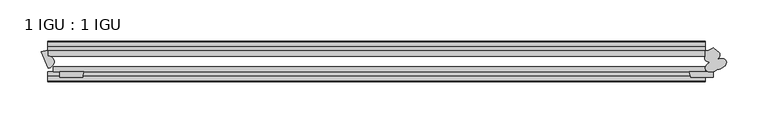
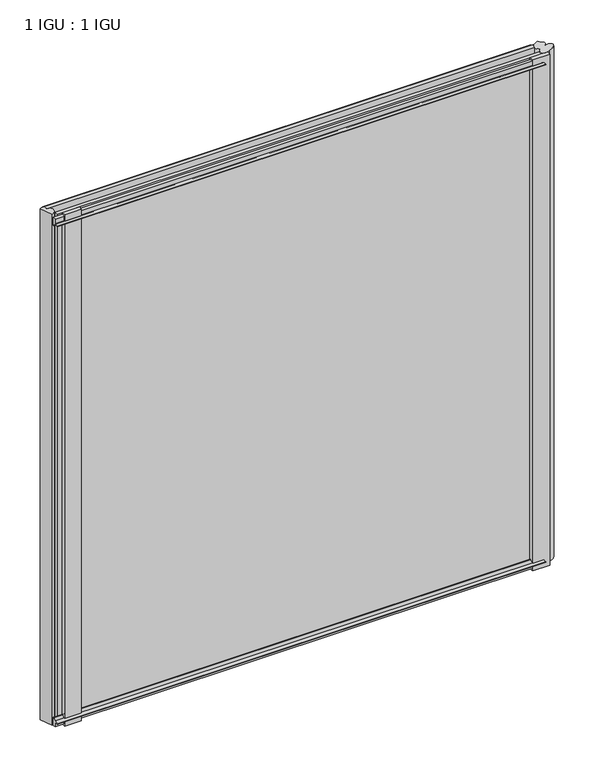
"""IFC4 building model written with IfcOpenShell, lengths in millimetres: plate geometry, 1 IGU : 1 IGU."""

from ifc_helpers import new_model, si_unit, point, frame, frame_2d, origin, place, context, project, spatial, polyline, circle_curve, ellipse_curve, trimmed, segment, composite_curve, outline, extrude, source, transform, mapped, element, save
from ifc_brep_helpers import plane_surface, cylinder_surface, revolved_surface, extruded_surface, advanced_brep


def plate_1_igu_1_igu_c3782e24(model_context):
    return source(origin(), model_context, "Body", "SolidModel", [
        advanced_brep(
        [(410.8213131, -30.3615789, -11.1125), (404.4214928, -23.310153, -11.1125), (404.4214928, -16.9263288, -11.1125), (413.9812267, -12.9529996, -11.1125), (418.5404185, -17.5121914, -11.1125), (418.9308777, -27.0024873, -11.1125), (419.2489934, -39.2391427, -11.1125), (410.8213131, -30.3615789, 865.1873985), (419.2489934, -39.2391427, 865.1873985), (418.9308777, -27.0024873, 865.1873985), (418.5404185, -17.5121914, 865.1873985), (413.9812267, -12.9529996, 865.1873985), (404.4214928, -16.9263288, 865.1873985), (404.4214928, -23.310153, 865.1873985)],
        [
            (0, 1, ellipse_curve(frame((412.8415867, -23.7702946, -11.1125), z_axis=(0.0, 0.0, -1.0), x_axis=(0.9238795325112812, 0.3826834323651031, 0.0)), 9.5957905, 5.9783877)),
            (1, 2),
            (2, 3, circle_curve(frame((404.0609682, -2.5720065, -11.1125), z_axis=(0.0, 0.0, 1.0), x_axis=(1.0, 0.0, 0.0)), 14.3588491)),
            (3, 4),
            (4, 5, ellipse_curve(frame((412.8415867, -23.7702946, -11.1125), z_axis=(0.0, 0.0, -1.0), x_axis=(0.923879532511281, 0.38268343236510366, 0.0)), 9.5957905, 5.9783877)),
            (5, 6, ellipse_curve(frame((420.7869513, -32.6970531, -11.1125), z_axis=(0.0, 0.0, -1.0), x_axis=(0.9238795325112809, 0.38268343236510405, 0.0)), 9.5957905, 5.9783877)),
            (6, 0, ellipse_curve(frame((413.5355369, -35.7006873, -11.1125), z_axis=(0.0, 0.0, -1.0), x_axis=(-0.9238795325112954, -0.382683432365069, 0.0)), 9.5957905, 5.9783877)),
            (7, 8, ellipse_curve(frame((413.5355369, -35.7006873, 865.1873985), z_axis=(0.0, 0.0, 1.0), x_axis=(-0.9238795325112954, -0.382683432365069, 0.0)), 9.5957905, 5.9783877)),
            (8, 9, ellipse_curve(frame((420.7869513, -32.6970531, 865.1873985), z_axis=(0.0, 0.0, 1.0), x_axis=(0.9238795325112809, 0.38268343236510405, 0.0)), 9.5957905, 5.9783877)),
            (9, 10, ellipse_curve(frame((412.8415867, -23.7702946, 865.1873985), z_axis=(0.0, 0.0, 1.0), x_axis=(0.923879532511281, 0.38268343236510366, 0.0)), 9.5957905, 5.9783877)),
            (10, 11),
            (11, 12, circle_curve(frame((404.0609682, -2.5720065, 865.1873985), z_axis=(0.0, 0.0, -1.0), x_axis=(1.0, 0.0, 0.0)), 14.3588491)),
            (12, 13),
            (13, 7, ellipse_curve(frame((412.8415867, -23.7702946, 865.1873985), z_axis=(0.0, 0.0, 1.0), x_axis=(0.9238795325112812, 0.3826834323651031, 0.0)), 9.5957905, 5.9783877)),
            (0, 7),
            (13, 1),
            (12, 2),
            (11, 3),
            (4, 10),
            (9, 5),
            (8, 6),
        ],
        [
            plane_surface(frame((404.4214928, -9.6242188, -11.1125), z_axis=(0.0, 0.0, -1.0), x_axis=(0.0, 1.0, 0.0))),
            plane_surface(frame((404.4214928, -9.6242188, 865.1873985), z_axis=(0.0, 0.0, 1.0), x_axis=(0.0, 1.0, 0.0))),
            extruded_surface(trimmed(ellipse_curve(frame((412.8415867, -23.7702946, 865.1873985), z_axis=(0.0, 0.0, -1.0), x_axis=(0.9238795325112812, 0.3826834323651031, 0.0)), 9.5957905, 5.9783877), [point((410.8213131, -30.3615789, 865.1873985))], [point((404.4214928, -23.310153, 865.1873985))], True, "CARTESIAN"), (0.0, 0.0, -876.2998984999999), 876.2998984999999),
            plane_surface(frame((404.4214928, -23.310153, -11.1125), z_axis=(-1.0, 0.0, 0.0), x_axis=(0.0, 0.0, 1.0))),
            revolved_surface(polyline([(418.4198173, -2.5720065, 865.1873985), (418.4198173, -2.5720065, -11.1125)]), (404.0609682, -2.5720065, -11.1125), (0.0, 0.0, 1.0)),
            extruded_surface(trimmed(ellipse_curve(frame((412.8415867, -23.7702946, 865.1873985), z_axis=(0.0, 0.0, -1.0), x_axis=(0.923879532511281, 0.38268343236510366, 0.0)), 9.5957905, 5.9783877), [point((418.5404185, -17.5121914, 865.1873985))], [point((418.9308777, -27.0024873, 865.1873985))], True, "CARTESIAN"), (0.0, 0.0, -876.2998984999999), 876.2998984999999),
            extruded_surface(trimmed(ellipse_curve(frame((420.7869513, -32.6970531, 865.1873985), z_axis=(0.0, 0.0, -1.0), x_axis=(0.9238795325112809, 0.38268343236510405, 0.0)), 9.5957905, 5.9783877), [point((418.9308777, -27.0024873, 865.1873985))], [point((419.2489934, -39.2391427, 865.1873985))], True, "CARTESIAN"), (0.0, 0.0, -876.2998984999999), 876.2998984999999),
            extruded_surface(trimmed(ellipse_curve(frame((413.5355369, -35.7006873, 865.1873985), z_axis=(0.0, 0.0, -1.0), x_axis=(-0.9238795325112954, -0.382683432365069, 0.0)), 9.5957905, 5.9783877), [point((419.2489934, -39.2391427, 865.1873985))], [point((410.8213131, -30.3615789, 865.1873985))], True, "CARTESIAN"), (0.0, 0.0, -876.2998984999999), 876.2998984999999),
            plane_surface(frame((413.9812267, -12.9529996, -11.1125), z_axis=(0.7071067811865541, 0.707106781186541, 0.0), x_axis=(0.0, 0.0, 1.0))),
        ],
        [
            (0, [[1, 2, 3, 4, 5, 6, 7]]),
            (1, [[8, 9, 10, 11, 12, 13, 14]]),
            (2, [[-1, 15, -14, 16]]),
            (3, [[-2, -16, -13, 17]]),
            (4, [[-3, -17, -12, 18]]),
            (5, [[-5, 19, -10, 20]]),
            (6, [[-6, -20, -9, 21]]),
            (7, [[-7, -21, -8, -15]]),
            (8, [[-4, -18, -11, -19]]),
        ],
    ),
        advanced_brep(
        [(-390.7201863, -16.9267187, -11.1125), (-387.9903924, -16.9267187, -11.1125), (-387.9903924, -23.2727004, -11.1125), (-387.3107394, -38.1171229, -11.1125), (-395.6717838, -17.9317761, -11.1125), (-390.7201863, -16.9267187, 865.1873985), (-395.6717838, -17.9317761, 865.1873985), (-387.3107394, -38.1171229, 865.1873985), (-387.9903924, -23.2727004, 865.1873985), (-387.9903924, -16.9267187, 865.1873985)],
        [
            (0, 1),
            (1, 2),
            (2, 3, ellipse_curve(frame((-390.1756356, -31.2006516, -11.1125), z_axis=(0.0, 0.0, -1.0), x_axis=(-0.9238795325112887, -0.382683432365085, 0.0)), 10.1284028, 7.4863346)),
            (3, 4),
            (4, 0, circle_curve(frame((-390.7201863, -29.6267187, -11.1125), z_axis=(0.0, 0.0, -1.0), x_axis=(1.0, 0.0, 0.0)), 12.7)),
            (5, 6, circle_curve(frame((-390.7201863, -29.6267187, 865.1873985), z_axis=(0.0, 0.0, 1.0), x_axis=(1.0, 0.0, 0.0)), 12.7)),
            (6, 7),
            (7, 8, ellipse_curve(frame((-390.1756356, -31.2006516, 865.1873985), z_axis=(0.0, 0.0, 1.0), x_axis=(-0.9238795325112887, -0.382683432365085, 0.0)), 10.1284028, 7.4863346)),
            (8, 9),
            (9, 5),
            (0, 5),
            (9, 1),
            (8, 2),
            (7, 3),
            (6, 4),
        ],
        [
            plane_surface(frame((-387.9511803, -9.6242187, -11.1125), z_axis=(0.0, 0.0, -1.0), x_axis=(0.0, 1.0, 0.0))),
            plane_surface(frame((-387.9511803, -9.6242187, 865.1873985), z_axis=(0.0, 0.0, 1.0), x_axis=(0.0, 1.0, 0.0))),
            plane_surface(frame((-390.7201863, -16.9267187, -11.1125), z_axis=(0.0, 1.0, 0.0), x_axis=(0.0, 0.0, 1.0))),
            plane_surface(frame((-387.9903924, -16.9267187, -11.1125), z_axis=(1.0, 0.0, 0.0), x_axis=(0.0, 0.0, 1.0))),
            extruded_surface(trimmed(ellipse_curve(frame((-390.1756356, -31.2006516, 865.1873985), z_axis=(0.0, 0.0, -1.0), x_axis=(-0.9238795325112887, -0.382683432365085, 0.0)), 10.1284028, 7.4863346), [point((-387.9903924, -23.2727004, 865.1873985))], [point((-387.3107394, -38.1171229, 865.1873985))], True, "CARTESIAN"), (0.0, 0.0, -876.2998984999999), 876.2998984999999),
            plane_surface(frame((-387.3107394, -38.1171229, -11.1125), z_axis=(-0.9238795325112933, -0.38268343236507424, 0.0), x_axis=(0.0, 0.0, 1.0))),
            cylinder_surface(frame((-390.7201863, -29.6267187, -11.1125), z_axis=(0.0, 0.0, -1.0), x_axis=(1.0, 0.0, 0.0)), 12.7),
        ],
        [
            (0, [[1, 2, 3, 4, 5]]),
            (1, [[6, 7, 8, 9, 10]]),
            (2, [[-1, 11, -10, 12]]),
            (3, [[-2, -12, -9, 13]]),
            (4, [[-3, -13, -8, 14]]),
            (5, [[-4, -14, -7, 15]]),
            (6, [[-5, -15, -6, -11]]),
        ],
    ),
        extrude(outline(composite_curve([segment(polyline([(-42.3267187, -8.2068385), (-47.0892187, -8.2068385), (-47.0892187, 0.0), (-53.563779, 0.0)]), True, "CONTINUOUS"), segment(trimmed(circle_curve(frame_2d((-53.0328134, 0.3482823)), 0.635), [point((-53.563779, 0.0))], [point((-53.0575397, 0.9828007))], False, "CARTESIAN"), True, "CONTINUOUS"), segment(trimmed(circle_curve(frame_2d((-54.2310045, 31.0958559)), 30.1359106), [point((-53.0575397, 0.9828007))], [point((-47.0834032, 1.8198434))], True, "CARTESIAN"), True, "CONTINUOUS"), segment(trimmed(circle_curve(frame_2d((-48.2159797, 6.4587878)), 4.7752), [point((-47.0834032, 1.8198434))], [point((-43.578416, 5.3205707))], True, "CARTESIAN"), True, "CONTINUOUS"), segment(trimmed(circle_curve(frame_2d((-42.9617187, 5.169212)), 0.635), [point((-43.578416, 5.3205707))], [point((-42.3267187, 5.169212))], False, "CARTESIAN"), True, "CONTINUOUS"), segment(polyline([(-42.3267187, 5.169212), (-42.3267187, -8.2068385)]), True, "CONTINUOUS")], self_intersect=False)), frame((-387.9511803, 0.0, 0.0), z_axis=(1.0, 0.0, 0.0), x_axis=(0.0, 1.0, 0.0)), (0.0, 0.0, 1.0), 792.372673),
        extrude(outline(composite_curve([segment(polyline([(-16.9267187, -8.2068385), (-16.9267187, 5.169212)]), True, "CONTINUOUS"), segment(trimmed(circle_curve(frame_2d((-16.2917187, 5.169212)), 0.635), [point((-16.9267187, 5.169212))], [point((-15.6750215, 5.3205707))], False, "CARTESIAN"), True, "CONTINUOUS"), segment(trimmed(circle_curve(frame_2d((-11.0374578, 6.4587878)), 4.7752), [point((-15.6750215, 5.3205707))], [point((-12.1700343, 1.8198434))], True, "CARTESIAN"), True, "CONTINUOUS"), segment(trimmed(circle_curve(frame_2d((-5.022433, 31.0958559)), 30.1359106), [point((-12.1700343, 1.8198434))], [point((-6.1958978, 0.9828007))], True, "CARTESIAN"), True, "CONTINUOUS"), segment(trimmed(circle_curve(frame_2d((-6.2206241, 0.3482823)), 0.635), [point((-6.1958978, 0.9828007))], [point((-5.6896585, 0.0))], False, "CARTESIAN"), True, "CONTINUOUS"), segment(polyline([(-5.6896585, 0.0), (-12.1642187, 0.0), (-12.1642187, -8.2068385), (-16.9267187, -8.2068385)]), True, "CONTINUOUS")], self_intersect=False)), frame((-387.9511803, 0.0, 0.0), z_axis=(1.0, 0.0, 0.0), x_axis=(0.0, 1.0, 0.0)), (0.0, 0.0, 1.0), 792.372673),
        extrude(outline(composite_curve([segment(polyline([(-47.0892187, 854.0748985), (-47.0892187, 862.281737), (-42.3267188, 862.281737), (-42.3267188, 848.9056865)]), True, "CONTINUOUS"), segment(trimmed(circle_curve(frame_2d((-42.9617187, 848.9056865)), 0.635), [point((-42.3267188, 848.9056865))], [point((-43.578416, 848.7543278))], False, "CARTESIAN"), True, "CONTINUOUS"), segment(trimmed(circle_curve(frame_2d((-48.2159797, 847.6161107)), 4.7752), [point((-43.578416, 848.7543278))], [point((-47.0834032, 852.2550551))], True, "CARTESIAN"), True, "CONTINUOUS"), segment(trimmed(circle_curve(frame_2d((-54.2310045, 822.9790426)), 30.1359106), [point((-47.0834032, 852.2550551))], [point((-53.0575397, 853.0920978))], True, "CARTESIAN"), True, "CONTINUOUS"), segment(trimmed(circle_curve(frame_2d((-53.0328134, 853.7266162)), 0.635), [point((-53.0575397, 853.0920978))], [point((-53.563779, 854.0748985))], False, "CARTESIAN"), True, "CONTINUOUS"), segment(polyline([(-53.563779, 854.0748985), (-47.0892187, 854.0748985)]), True, "CONTINUOUS")], self_intersect=False)), frame((-387.9511803, 0.0, 0.0), z_axis=(1.0, 0.0, 0.0), x_axis=(0.0, 1.0, 0.0)), (0.0, 0.0, 1.0), 792.372673),
        extrude(outline(composite_curve([segment(polyline([(-12.1642187, 854.0748985), (-5.6896585, 854.0748985)]), True, "CONTINUOUS"), segment(trimmed(circle_curve(frame_2d((-6.2206241, 853.7266162)), 0.635), [point((-5.6896585, 854.0748985))], [point((-6.1958978, 853.0920978))], False, "CARTESIAN"), True, "CONTINUOUS"), segment(trimmed(circle_curve(frame_2d((-5.022433, 822.9790426)), 30.1359106), [point((-6.1958978, 853.0920978))], [point((-12.1700343, 852.2550551))], True, "CARTESIAN"), True, "CONTINUOUS"), segment(trimmed(circle_curve(frame_2d((-11.0374578, 847.6161107)), 4.7752), [point((-12.1700343, 852.2550551))], [point((-15.6750215, 848.7543278))], True, "CARTESIAN"), True, "CONTINUOUS"), segment(trimmed(circle_curve(frame_2d((-16.2917187, 848.9056865)), 0.635), [point((-15.6750215, 848.7543278))], [point((-16.9267187, 848.9056865))], False, "CARTESIAN"), True, "CONTINUOUS"), segment(polyline([(-16.9267187, 848.9056865), (-16.9267187, 862.281737), (-12.1642187, 862.281737), (-12.1642187, 854.0748985)]), True, "CONTINUOUS")], self_intersect=False)), frame((-387.9511803, 0.0, 0.0), z_axis=(1.0, 0.0, 0.0), x_axis=(0.0, 1.0, 0.0)), (0.0, 0.0, 1.0), 792.372673),
        extrude(outline(composite_curve([segment(polyline([(413.9464928, -42.3267187), (413.9464928, -48.6767187), (386.5579108, -48.6767187)]), True, "CONTINUOUS"), segment(trimmed(circle_curve(frame_2d((374.7997165, -48.2428298)), 11.7661971), [point((386.5579108, -48.6767187))], [point((384.9704108, -42.3267187))], True, "CARTESIAN"), True, "CONTINUOUS"), segment(polyline([(384.9704108, -42.3267187), (413.9464928, -42.3267187)]), True, "CONTINUOUS")], self_intersect=False)), frame((0.0, 0.0, -11.1125), z_axis=(0.0, 0.0, 1.0), x_axis=(1.0, 0.0, 0.0)), (0.0, 0.0, 1.0), 876.2998985),
        extrude(outline(composite_curve([segment(trimmed(circle_curve(frame_2d((-334.4176852, -48.2428298)), 11.7661971), [point((-344.5883796, -42.3267187))], [point((-346.1758796, -48.6767187))], True, "CARTESIAN"), True, "CONTINUOUS"), segment(polyline([(-346.1758796, -48.6767187), (-373.5644615, -48.6767187), (-373.5644615, -42.3267187), (-344.5883796, -42.3267187)]), True, "CONTINUOUS")], self_intersect=False)), frame((0.0, 0.0, -11.1125), z_axis=(0.0, 0.0, 1.0), x_axis=(1.0, 0.0, 0.0)), (0.0, 0.0, 1.0), 876.2998985),
        extrude(outline(polyline([(404.4214928, -16.9267187), (404.4214928, -23.2259187), (-387.9511803, -23.2259187), (-387.9511803, -16.9267187), (404.4214928, -16.9267187)])), frame((0.0, 0.0, -11.1125), z_axis=(0.0, 0.0, 1.0), x_axis=(1.0, 0.0, 0.0)), (0.0, 0.0, 1.0), 876.2998985),
        extrude(outline(polyline([(404.4214928, -36.0275187), (404.4214928, -42.3267187), (-381.6011803, -42.3267187), (-381.6011803, -36.0275187), (404.4214928, -36.0275187)])), frame((0.0, 0.0, -11.1125), z_axis=(0.0, 0.0, 1.0), x_axis=(1.0, 0.0, 0.0)), (0.0, 0.0, 1.0), 876.2998985),
    ])


if __name__ == "__main__":
    model = new_model("IFC4")
    model_context = context("Model", 3, world=origin())
    ifc_project = project(units=[si_unit("LENGTHUNIT", "METRE", prefix="MILLI")], contexts=[model_context])
    site = spatial("IfcSite", under=ifc_project)
    building = spatial("IfcBuilding", under=site)
    placement = place(None, origin())
    plate_1_igu_1_igu_shape = plate_1_igu_1_igu_c3782e24(model_context)
    element("IfcPlate", 1, ObjectType="1 IGU : 1 IGU", at=placement, inside=building, context=model_context, shape_type="MappedRepresentation", body=[
        mapped(plate_1_igu_1_igu_shape, transform((0.0, 0.0, 0.0), x_axis=(1.0, 0.0, 0.0), y_axis=(0.0, 1.0, 0.0), z_axis=(0.0, 0.0, 1.0))),
    ])
    save(model, "model.ifc")
